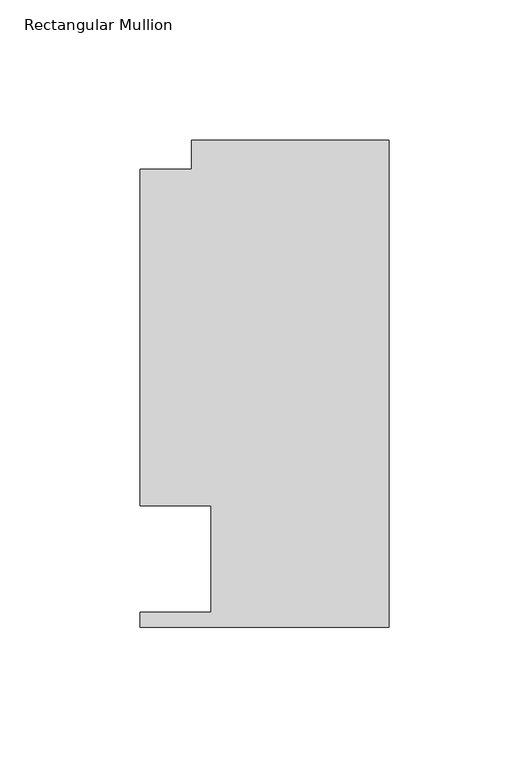
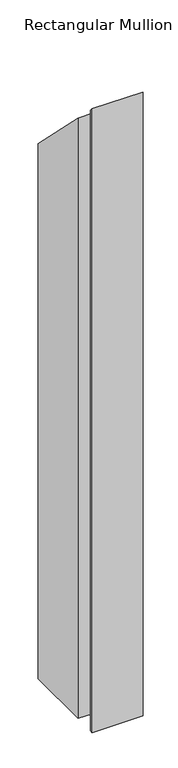
"""IFC4 building model written with IfcOpenShell, lengths in millimetres: member geometry, Rectangular Mullion."""

from ifc_helpers import new_model, si_unit, origin, place, context, project, spatial, faceted_brep, source, transform, mapped, element, save


def rectangular_mullion_c0a41a0e(model_context):
    return source(origin(), model_context, "Body", "Brep", [
        faceted_brep([(-88.9131928, 151.892, -1140.46), (-70.395709, 151.892, -1140.46), (-70.395709, 162.3059961, -1140.46), (0.0, 162.3059961, -1140.46), (0.0, -11.684, -1140.46), (-88.9131928, -11.684, -1140.46), (-88.9131928, -6.35, -1140.46), (-63.5131928, -6.35, -1140.46), (-63.5131928, 31.75, -1140.46), (-88.9131928, 31.75, -1140.46), (-88.9131928, 31.75, -31.75), (-88.9131928, 151.892, -151.892), (-63.5131928, 31.75, -31.75), (-63.5131928, -6.35, 6.35), (-88.9131928, -6.35, 6.35), (-88.9131928, -11.684, 11.684), (0.0, -11.684, 11.684), (0.0, 162.3059961, -162.3059961), (-70.395709, 162.3059961, -162.3059961), (-70.395709, 151.892, -151.892)], [[[0, 1, 2, 3, 4, 5, 6, 7, 8, 9]], [[10, 11, 0, 9]], [[12, 10, 9, 8]], [[13, 12, 8, 7]], [[14, 13, 7, 6]], [[15, 14, 6, 5]], [[16, 15, 5, 4]], [[17, 16, 4, 3]], [[18, 17, 3, 2]], [[19, 18, 2, 1]], [[11, 19, 1, 0]], [[11, 10, 12, 13, 14, 15, 16, 17, 18, 19]]]),
    ])


if __name__ == "__main__":
    model = new_model("IFC4")
    model_context = context("Model", 3, world=origin())
    ifc_project = project(units=[si_unit("LENGTHUNIT", "METRE", prefix="MILLI")], contexts=[model_context])
    site = spatial("IfcSite", under=ifc_project)
    building = spatial("IfcBuilding", under=site)
    placement = place(None, origin())
    rectangular_mullion_shape = rectangular_mullion_c0a41a0e(model_context)
    element("IfcMember", 1, ObjectType="Rectangular Mullion", at=placement, inside=building, context=model_context, shape_type="MappedRepresentation", body=[
        mapped(rectangular_mullion_shape, transform((0.0, 0.0, 0.0), x_axis=(1.0, 0.0, 0.0), y_axis=(0.0, 1.0, 0.0), z_axis=(0.0, 0.0, 1.0))),
    ])
    save(model, "model.ifc")
